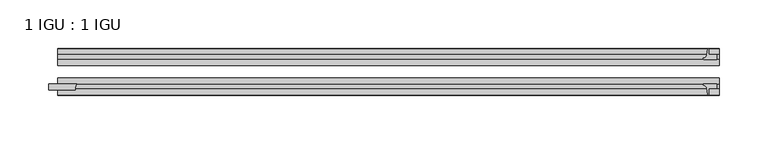
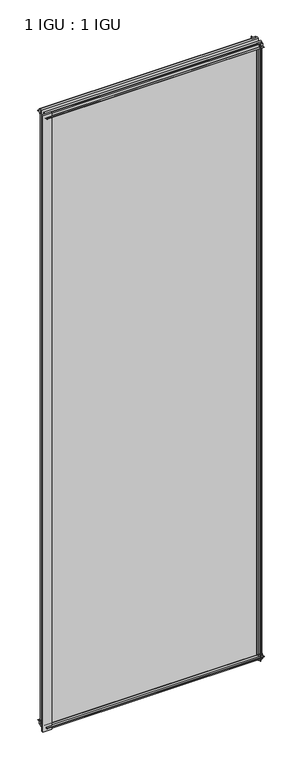
"""IFC4 building model written with IfcOpenShell, lengths in millimetres: plate geometry, 1 IGU : 1 IGU."""

import ifcopenshell
import ifcopenshell.guid

model = None  # the IFC model being written
_history = None  # IfcOwnerHistory: only IFC2X3 demands one
_inside = {}  # id of a spatial element -> (the spatial element, [elements in it])
_under = {}  # id of a project, library or spatial element -> (it, [spatial elements below it])
_declared = {}  # id of a project -> (the project, [libraries it declares])
_typed = {}  # id of a type object -> (the type object, [elements of that type])
_made_of = {}  # id of a material, layer set ... -> (it, [elements and type objects made of it])


def new_model(schema):
    """Start an empty IFC model of exactly this schema.

    Asked for "IFC4X3", IfcOpenShell would pick the latest addendum, in which some entities
    have other attributes; the version numbers below select the first issue.
    IFC2X3 requires an IfcOwnerHistory on every rooted entity: one is made here for all.
    """
    global model, _history
    if schema == "IFC4X3":
        model = ifcopenshell.file(schema_version=(4, 3, 0, 0))
    else:
        model = ifcopenshell.file(schema=schema)
    _inside.clear()
    _under.clear()
    _declared.clear()
    _typed.clear()
    _made_of.clear()
    _history = None
    if model.schema == "IFC2X3":
        org = make("IfcOrganization", Name="unknown")
        user = make(
            "IfcPersonAndOrganization",
            ThePerson=make("IfcPerson", FamilyName="unknown"),
            TheOrganization=org,
        )
        app = make(
            "IfcApplication",
            ApplicationDeveloper=org,
            Version="unknown",
            ApplicationFullName="unknown",
            ApplicationIdentifier="unknown",
        )
        _history = make(
            "IfcOwnerHistory",
            OwningUser=user,
            OwningApplication=app,
            ChangeAction="ADDED",
            CreationDate=0,
        )
    return model


def make(cls, **values):
    """One entity of the class cls with the attributes given. An attribute that is None is left unset."""
    return model.create_entity(
        cls, **{name: value for name, value in values.items() if value is not None}
    )


def rooted(cls, **values):
    """An entity with a GlobalId (a new one), such as an element, a storey or a relation."""
    return make(cls, GlobalId=ifcopenshell.guid.new(), OwnerHistory=_history, **values)


def si_unit(unit_type, name, prefix=None):
    """IfcSIUnit, for example si_unit("LENGTHUNIT", "METRE", prefix="MILLI")."""
    return make("IfcSIUnit", UnitType=unit_type, Prefix=prefix, Name=name)


def assignment(units):
    """IfcUnitAssignment: the units of a project."""
    return None if units is None else make("IfcUnitAssignment", Units=units)


def point(xyz):
    """IfcCartesianPoint."""
    return None if xyz is None else make("IfcCartesianPoint", Coordinates=xyz)


def direction(xyz):
    """IfcDirection."""
    return None if xyz is None else make("IfcDirection", DirectionRatios=xyz)


def frame(location, z_axis=None, x_axis=None):
    """IfcAxis2Placement3D, a coordinate frame: its origin and axes. An axis left out is left unset."""
    return make(
        "IfcAxis2Placement3D",
        Location=point(location),
        Axis=direction(z_axis),
        RefDirection=direction(x_axis),
    )


def frame_2d(location, x_axis=None):
    """IfcAxis2Placement2D, a coordinate frame in the plane: its origin and x axis."""
    return make(
        "IfcAxis2Placement2D", Location=point(location), RefDirection=direction(x_axis)
    )


def origin():
    """The frame at (0, 0, 0) with its axes left unset."""
    return frame((0.0, 0.0, 0.0))


def place(relative_to, where):
    """IfcLocalPlacement: puts the frame where relative to a parent placement (None: the world)."""
    return make(
        "IfcLocalPlacement", PlacementRelTo=relative_to, RelativePlacement=where
    )


def context(
    kind, dimensions, precision=None, world=None, true_north=None, identifier=None
):
    """IfcGeometricRepresentationContext, for example the 3D "Model" context."""
    return make(
        "IfcGeometricRepresentationContext",
        ContextIdentifier=identifier,
        ContextType=kind,
        CoordinateSpaceDimension=dimensions,
        Precision=precision,
        WorldCoordinateSystem=world,
        TrueNorth=true_north,
    )


def project(units=None, contexts=None):
    """IfcProject with its units and contexts."""
    return rooted(
        "IfcProject",
        Name="project",
        RepresentationContexts=contexts,
        UnitsInContext=assignment(units),
    )


def spatial(cls, under=None, at=None, **own):
    """A site, building, storey or space (cls), placed at a placement, below another one or the project."""
    s = rooted(cls, ObjectPlacement=at, **own)
    if under is not None:
        _under.setdefault(under.id(), (under, []))[1].append(s)
    return s


def polyline(points):
    """IfcPolyline through the points."""
    return make("IfcPolyline", Points=[point(p) for p in points])


def circle_curve(where, radius):
    """IfcCircle in the frame where."""
    return make("IfcCircle", Position=where, Radius=radius)


def trimmed(basis, trim1, trim2, sense, master):
    """IfcTrimmedCurve: the piece of a basis curve between two trims."""
    return make(
        "IfcTrimmedCurve",
        BasisCurve=basis,
        Trim1=trim1,
        Trim2=trim2,
        SenseAgreement=sense,
        MasterRepresentation=master,
    )


def segment(curve, same_sense, transition):
    """IfcCompositeCurveSegment."""
    return make(
        "IfcCompositeCurveSegment",
        Transition=transition,
        SameSense=same_sense,
        ParentCurve=curve,
    )


def composite_curve(segments, self_intersect=None):
    """IfcCompositeCurve: segments joined end to end."""
    return make("IfcCompositeCurve", Segments=segments, SelfIntersect=self_intersect)


def outline(outer, holes=None, kind="AREA"):
    """IfcArbitraryClosedProfileDef: a profile drawn as a closed curve; with holes, ...WithVoids."""
    if holes is None:
        return make("IfcArbitraryClosedProfileDef", ProfileType=kind, OuterCurve=outer)
    return make(
        "IfcArbitraryProfileDefWithVoids",
        ProfileType=kind,
        OuterCurve=outer,
        InnerCurves=holes,
    )


def extrude(swept, where, along, depth):
    """IfcExtrudedAreaSolid: the profile swept, set in the frame where, extruded along a direction by depth."""
    return make(
        "IfcExtrudedAreaSolid",
        SweptArea=swept,
        Position=where,
        ExtrudedDirection=direction(along),
        Depth=depth,
    )


def shape(context_of_items, identifier, shape_type, items):
    """IfcShapeRepresentation: the items that make up one representation, for example the "Body"."""
    return make(
        "IfcShapeRepresentation",
        ContextOfItems=context_of_items,
        RepresentationIdentifier=identifier,
        RepresentationType=shape_type,
        Items=items,
    )


def source(mapping_origin, context_of_items, identifier, shape_type, items):
    """IfcRepresentationMap: a shape defined once, which mapped items show again and again."""
    return make(
        "IfcRepresentationMap",
        MappingOrigin=mapping_origin,
        MappedRepresentation=shape(context_of_items, identifier, shape_type, items),
    )


def transform(
    local_origin,
    x_axis=None,
    y_axis=None,
    z_axis=None,
    scale=None,
    scale2=None,
    scale3=None,
    uniform=True,
):
    """IfcCartesianTransformationOperator3D, or its non-uniform kind. x_axis, y_axis, z_axis: its Axis1, 2, 3."""
    if uniform:
        return make(
            "IfcCartesianTransformationOperator3D",
            Axis1=direction(x_axis),
            Axis2=direction(y_axis),
            LocalOrigin=point(local_origin),
            Scale=scale,
            Axis3=direction(z_axis),
        )
    return make(
        "IfcCartesianTransformationOperator3DnonUniform",
        Axis1=direction(x_axis),
        Axis2=direction(y_axis),
        LocalOrigin=point(local_origin),
        Scale=scale,
        Axis3=direction(z_axis),
        Scale2=scale2,
        Scale3=scale3,
    )


def mapped(mapping_source, mapping_target):
    """IfcMappedItem: shows the shape of a source again, moved by a transform."""
    return make(
        "IfcMappedItem", MappingSource=mapping_source, MappingTarget=mapping_target
    )


def made_of(thing, what):
    """Note that an element or type object is made of a material, layer set ...; save() writes the relation."""
    if what is not None:
        _made_of.setdefault(what.id(), (what, []))[1].append(thing)
    return thing


def element(
    cls,
    number,
    at=None,
    inside=None,
    cuts=None,
    type_object=None,
    material=None,
    context=None,
    identifier="Body",
    shape_type=None,
    held_by="IfcProductDefinitionShape",
    body=None,
    shapes=None,
    **own,
):
    """One element of the class cls, such as IfcWall. Its Tag is "e" and its number.

    at: its placement. inside: the storey or other place that contains it. cuts: it is an
    opening in that element (IfcRelVoidsElement). A single representation is given by context,
    identifier, shape_type and body (its items); several are given by shapes. held_by: the class
    of the entity that holds the representations. save() writes the other relations.
    """
    e = rooted(cls, Tag="e%d" % number, ObjectPlacement=at, **own)
    if body is not None:
        shapes = [shape(context, identifier, shape_type, body)]
    if shapes is not None:
        e.Representation = make(held_by, Representations=shapes)
    if inside is not None:
        _inside.setdefault(inside.id(), (inside, []))[1].append(e)
    if cuts is not None:
        rooted(
            "IfcRelVoidsElement", RelatingBuildingElement=cuts, RelatedOpeningElement=e
        )
    if type_object is not None:
        _typed.setdefault(type_object.id(), (type_object, []))[1].append(e)
    return made_of(e, material)


def aggregate(whole, parts):
    """IfcRelAggregates: a whole, such as a stair, and the parts it consists of."""
    return rooted("IfcRelAggregates", RelatingObject=whole, RelatedObjects=parts)


def save(model, path):
    """Write the relations noted so far, then the file.

    IfcRelAggregates (storeys below a building ...), IfcRelContainedInSpatialStructure (elements
    in a storey), IfcRelDefinesByType, IfcRelAssociatesMaterial and IfcRelDeclares: one each for
    every whole, place, type object, material and project.
    """
    for whole, parts in _under.values():
        aggregate(whole, parts)
    for where, things in _inside.values():
        rooted(
            "IfcRelContainedInSpatialStructure",
            RelatedElements=things,
            RelatingStructure=where,
        )
    for kind, things in _typed.values():
        rooted("IfcRelDefinesByType", RelatedObjects=things, RelatingType=kind)
    for what, things in _made_of.values():
        rooted("IfcRelAssociatesMaterial", RelatedObjects=things, RelatingMaterial=what)
    for by, libraries in _declared.values():
        rooted("IfcRelDeclares", RelatingContext=by, RelatedDefinitions=libraries)
    model.write(path)


def plate_1_igu_1_igu_9c74614e(model_context):
    return source(origin(), model_context, "Body", "SweptSolid", [
        extrude(outline(composite_curve([segment(polyline([(-42.3267187, -8.2068385), (-47.0892187, -8.2068385), (-47.0892187, 0.0), (-53.563779, 0.0)]), True, "CONTINUOUS"), segment(trimmed(circle_curve(frame_2d((-53.0328134, 0.3482823)), 0.635), [point((-53.563779, 0.0))], [point((-53.0575397, 0.9828007))], False, "CARTESIAN"), True, "CONTINUOUS"), segment(trimmed(circle_curve(frame_2d((-54.2310045, 31.0958559)), 30.1359106), [point((-53.0575397, 0.9828007))], [point((-47.0834032, 1.8198434))], True, "CARTESIAN"), True, "CONTINUOUS"), segment(trimmed(circle_curve(frame_2d((-48.2159797, 6.4587878)), 4.7752), [point((-47.0834032, 1.8198434))], [point((-43.578416, 5.3205707))], True, "CARTESIAN"), True, "CONTINUOUS"), segment(trimmed(circle_curve(frame_2d((-42.9617187, 5.169212)), 0.635), [point((-43.578416, 5.3205707))], [point((-42.3267187, 5.169212))], False, "CARTESIAN"), True, "CONTINUOUS"), segment(polyline([(-42.3267187, 5.169212), (-42.3267187, -8.2068385)]), True, "CONTINUOUS")], self_intersect=False)), frame((-336.0104693, 0.0, 0.0), z_axis=(1.0, 0.0, 0.0), x_axis=(0.0, 1.0, 0.0)), (0.0, 0.0, 1.0), 681.7443761),
        extrude(outline(composite_curve([segment(polyline([(-16.9267187, -8.2068385), (-16.9267187, 5.169212)]), True, "CONTINUOUS"), segment(trimmed(circle_curve(frame_2d((-16.2917187, 5.169212)), 0.635), [point((-16.9267187, 5.169212))], [point((-15.6750215, 5.3205707))], False, "CARTESIAN"), True, "CONTINUOUS"), segment(trimmed(circle_curve(frame_2d((-11.0374578, 6.4587878)), 4.7752), [point((-15.6750215, 5.3205707))], [point((-12.1700343, 1.8198434))], True, "CARTESIAN"), True, "CONTINUOUS"), segment(trimmed(circle_curve(frame_2d((-5.022433, 31.0958559)), 30.1359106), [point((-12.1700343, 1.8198434))], [point((-6.1958978, 0.9828007))], True, "CARTESIAN"), True, "CONTINUOUS"), segment(trimmed(circle_curve(frame_2d((-6.2206241, 0.3482823)), 0.635), [point((-6.1958978, 0.9828007))], [point((-5.6896585, 0.0))], False, "CARTESIAN"), True, "CONTINUOUS"), segment(polyline([(-5.6896585, 0.0), (-12.1642187, 0.0), (-12.1642187, -8.2068385), (-16.9267187, -8.2068385)]), True, "CONTINUOUS")], self_intersect=False)), frame((-336.0104693, 0.0, 0.0), z_axis=(1.0, 0.0, 0.0), x_axis=(0.0, 1.0, 0.0)), (0.0, 0.0, 1.0), 681.7443761),
        extrude(outline(composite_curve([segment(polyline([(-47.0892188, 2022.475), (-47.0892188, 2030.6818385), (-42.3267188, 2030.6818385), (-42.3267188, 2017.305788)]), True, "CONTINUOUS"), segment(trimmed(circle_curve(frame_2d((-42.9617187, 2017.305788)), 0.635), [point((-42.3267188, 2017.305788))], [point((-43.578416, 2017.1544293))], False, "CARTESIAN"), True, "CONTINUOUS"), segment(trimmed(circle_curve(frame_2d((-48.2159797, 2016.0162122)), 4.7752), [point((-43.578416, 2017.1544293))], [point((-47.0834032, 2020.6551566))], True, "CARTESIAN"), True, "CONTINUOUS"), segment(trimmed(circle_curve(frame_2d((-54.2310045, 1991.3791441)), 30.1359106), [point((-47.0834032, 2020.6551566))], [point((-53.0575397, 2021.4921993))], True, "CARTESIAN"), True, "CONTINUOUS"), segment(trimmed(circle_curve(frame_2d((-53.0328134, 2022.1267177)), 0.635), [point((-53.0575397, 2021.4921993))], [point((-53.563779, 2022.475))], False, "CARTESIAN"), True, "CONTINUOUS"), segment(polyline([(-53.563779, 2022.475), (-47.0892188, 2022.475)]), True, "CONTINUOUS")], self_intersect=False)), frame((-336.0104693, 0.0, 0.0), z_axis=(1.0, 0.0, 0.0), x_axis=(0.0, 1.0, 0.0)), (0.0, 0.0, 1.0), 681.7443761),
        extrude(outline(composite_curve([segment(polyline([(-12.1642187, 2022.475), (-5.6896585, 2022.475)]), True, "CONTINUOUS"), segment(trimmed(circle_curve(frame_2d((-6.2206241, 2022.1267177)), 0.635), [point((-5.6896585, 2022.475))], [point((-6.1958978, 2021.4921993))], False, "CARTESIAN"), True, "CONTINUOUS"), segment(trimmed(circle_curve(frame_2d((-5.022433, 1991.3791441)), 30.1359106), [point((-6.1958978, 2021.4921993))], [point((-12.1700343, 2020.6551566))], True, "CARTESIAN"), True, "CONTINUOUS"), segment(trimmed(circle_curve(frame_2d((-11.0374578, 2016.0162122)), 4.7752), [point((-12.1700343, 2020.6551566))], [point((-15.6750215, 2017.1544293))], True, "CARTESIAN"), True, "CONTINUOUS"), segment(trimmed(circle_curve(frame_2d((-16.2917187, 2017.305788)), 0.635), [point((-15.6750215, 2017.1544293))], [point((-16.9267187, 2017.305788))], False, "CARTESIAN"), True, "CONTINUOUS"), segment(polyline([(-16.9267187, 2017.305788), (-16.9267187, 2030.6818385), (-12.1642187, 2030.6818385), (-12.1642187, 2022.475)]), True, "CONTINUOUS")], self_intersect=False)), frame((-336.0104693, 0.0, 0.0), z_axis=(1.0, 0.0, 0.0), x_axis=(0.0, 1.0, 0.0)), (0.0, 0.0, 1.0), 681.7443761),
        extrude(outline(composite_curve([segment(trimmed(circle_curve(frame_2d((-306.388693, -48.2428298)), 11.7661971), [point((-316.5593874, -42.3267187))], [point((-318.1468874, -48.6767187))], True, "CARTESIAN"), True, "CONTINUOUS"), segment(polyline([(-318.1468874, -48.6767187), (-345.5354693, -48.6767187), (-345.5354693, -42.3267187), (-316.5593874, -42.3267187)]), True, "CONTINUOUS")], self_intersect=False)), frame((0.0, 0.0, -11.1125), z_axis=(0.0, 0.0, 1.0), x_axis=(1.0, 0.0, 0.0)), (0.0, 0.0, 1.0), 2044.7),
        extrude(outline(composite_curve([segment(polyline([(334.6214068, -5.6896585), (334.6214068, -12.1642188), (342.8282453, -12.1642188), (342.8282453, -16.9267187), (329.4521948, -16.9267187)]), True, "CONTINUOUS"), segment(trimmed(circle_curve(frame_2d((329.4521948, -16.2917188)), 0.635), [point((329.4521948, -16.9267187))], [point((329.3008361, -15.6750215))], False, "CARTESIAN"), True, "CONTINUOUS"), segment(trimmed(circle_curve(frame_2d((328.1626189, -11.0374578)), 4.7752), [point((329.3008361, -15.6750215))], [point((332.8015634, -12.1700343))], True, "CARTESIAN"), True, "CONTINUOUS"), segment(trimmed(circle_curve(frame_2d((303.5255509, -5.022433)), 30.1359106), [point((332.8015634, -12.1700343))], [point((333.6386061, -6.1958978))], True, "CARTESIAN"), True, "CONTINUOUS"), segment(trimmed(circle_curve(frame_2d((334.2731245, -6.2206241)), 0.635), [point((333.6386061, -6.1958978))], [point((334.6214068, -5.6896585))], False, "CARTESIAN"), True, "CONTINUOUS")], self_intersect=False)), frame((0.0, 0.0, -11.1125), z_axis=(0.0, 0.0, 1.0), x_axis=(1.0, 0.0, 0.0)), (0.0, 0.0, 1.0), 2044.7),
        extrude(outline(composite_curve([segment(trimmed(circle_curve(frame_2d((334.2731245, -53.0328134)), 0.635), [point((334.6214068, -53.563779))], [point((333.6386061, -53.0575397))], False, "CARTESIAN"), True, "CONTINUOUS"), segment(trimmed(circle_curve(frame_2d((303.5255509, -54.2310045)), 30.1359106), [point((333.6386061, -53.0575397))], [point((332.8015634, -47.0834032))], True, "CARTESIAN"), True, "CONTINUOUS"), segment(trimmed(circle_curve(frame_2d((328.1626189, -48.2159797)), 4.7752), [point((332.8015634, -47.0834032))], [point((329.3008361, -43.578416))], True, "CARTESIAN"), True, "CONTINUOUS"), segment(trimmed(circle_curve(frame_2d((329.4521948, -42.9617187)), 0.635), [point((329.3008361, -43.578416))], [point((329.4521948, -42.3267187))], False, "CARTESIAN"), True, "CONTINUOUS"), segment(polyline([(329.4521948, -42.3267187), (342.8282453, -42.3267188), (342.8282453, -47.0892188), (334.6214068, -47.0892188), (334.6214068, -53.563779)]), True, "CONTINUOUS")], self_intersect=False)), frame((0.0, 0.0, -11.1125), z_axis=(0.0, 0.0, 1.0), x_axis=(1.0, 0.0, 0.0)), (0.0, 0.0, 1.0), 2044.7),
        extrude(outline(polyline([(345.7339068, -16.9267187), (345.7339068, -23.2259187), (-336.0104693, -23.2259187), (-336.0104693, -16.9267187), (345.7339068, -16.9267187)])), frame((0.0, 0.0, -11.1125), z_axis=(0.0, 0.0, 1.0), x_axis=(1.0, 0.0, 0.0)), (0.0, 0.0, 1.0), 2044.7),
        extrude(outline(polyline([(345.7339068, -36.0275187), (345.7339068, -42.3267187), (-336.0104693, -42.3267187), (-336.0104693, -36.0275187), (345.7339068, -36.0275187)])), frame((0.0, 0.0, -11.1125), z_axis=(0.0, 0.0, 1.0), x_axis=(1.0, 0.0, 0.0)), (0.0, 0.0, 1.0), 2044.7),
    ])


if __name__ == "__main__":
    model = new_model("IFC4")
    model_context = context("Model", 3, world=origin())
    ifc_project = project(units=[si_unit("LENGTHUNIT", "METRE", prefix="MILLI")], contexts=[model_context])
    site = spatial("IfcSite", under=ifc_project)
    building = spatial("IfcBuilding", under=site)
    placement = place(None, origin())
    plate_1_igu_1_igu_shape = plate_1_igu_1_igu_9c74614e(model_context)
    element("IfcPlate", 1, ObjectType="1 IGU : 1 IGU", at=placement, inside=building, context=model_context, shape_type="MappedRepresentation", body=[
        mapped(plate_1_igu_1_igu_shape, transform((0.0, 0.0, 0.0), x_axis=(1.0, 0.0, 0.0), y_axis=(0.0, 1.0, 0.0), z_axis=(0.0, 0.0, 1.0))),
    ])
    save(model, "model.ifc")
